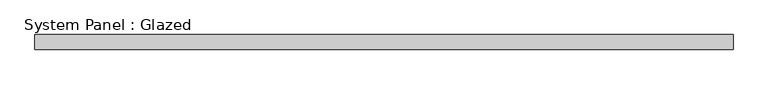
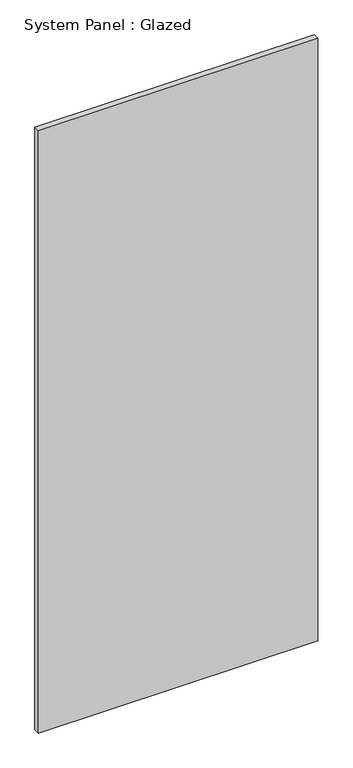
"""IFC4 building model written with IfcOpenShell, lengths in millimetres: plate geometry, System Panel : Glazed."""

from ifc_helpers import new_model, si_unit, origin, origin_with_axes, place, context, project, spatial, polyline, outline, extrude, source, transform, mapped, element, save


def system_panel_glazed_4605df69(model_context):
    return source(origin(), model_context, "Body", "SweptSolid", [
        extrude(outline(polyline([(590.55, 19.05), (-590.55, 19.05), (-590.55, 44.45), (590.55, 44.45), (590.55, 19.05)])), origin_with_axes(), (0.0, 0.0, 1.0), 2692.4),
    ])


if __name__ == "__main__":
    model = new_model("IFC4")
    model_context = context("Model", 3, world=origin())
    ifc_project = project(units=[si_unit("LENGTHUNIT", "METRE", prefix="MILLI")], contexts=[model_context])
    site = spatial("IfcSite", under=ifc_project)
    building = spatial("IfcBuilding", under=site)
    placement = place(None, origin())
    system_panel_glazed_shape = system_panel_glazed_4605df69(model_context)
    element("IfcPlate", 1, ObjectType="System Panel : Glazed", at=placement, inside=building, context=model_context, shape_type="MappedRepresentation", body=[
        mapped(system_panel_glazed_shape, transform((0.0, 0.0, 0.0), x_axis=(1.0, 0.0, 0.0), y_axis=(0.0, 1.0, 0.0), z_axis=(0.0, 0.0, 1.0))),
    ])
    save(model, "model.ifc")
